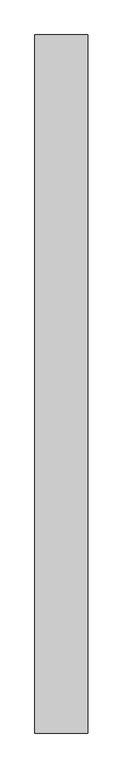
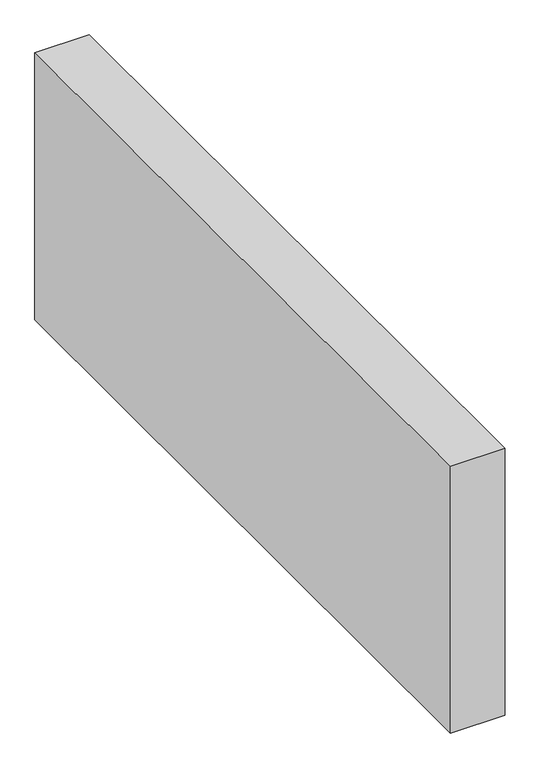
"""IFC4 building model written with IfcOpenShell, lengths in millimetres: proxy geometry."""

from ifc_helpers import new_model, si_unit, origin, origin_with_axes, place, context, project, spatial, polyline, outline, extrude, source, transform, mapped, element, save


def generic_models_acccd851(model_context):
    return source(origin(), model_context, "Body", "SweptSolid", [
        extrude(outline(polyline([(150.0, 1983.4995103), (150.0, 0.0), (0.0, 0.0), (0.0, 1983.4995103), (150.0, 1983.4995103)])), origin_with_axes(), (0.0, 0.0, 1.0), 776.6553396),
    ])


if __name__ == "__main__":
    model = new_model("IFC4")
    model_context = context("Model", 3, world=origin())
    ifc_project = project(units=[si_unit("LENGTHUNIT", "METRE", prefix="MILLI")], contexts=[model_context])
    site = spatial("IfcSite", under=ifc_project)
    building = spatial("IfcBuilding", under=site)
    placement = place(None, origin())
    generic_models_shape = generic_models_acccd851(model_context)
    element("IfcBuildingElementProxy", 1, Name="Generic Models", at=placement, inside=building, context=model_context, shape_type="MappedRepresentation", body=[
        mapped(generic_models_shape, transform((0.0, 0.0, 0.0), x_axis=(1.0, 0.0, 0.0), y_axis=(0.0, 1.0, 0.0), z_axis=(0.0, 0.0, 1.0))),
    ])
    save(model, "model.ifc")
